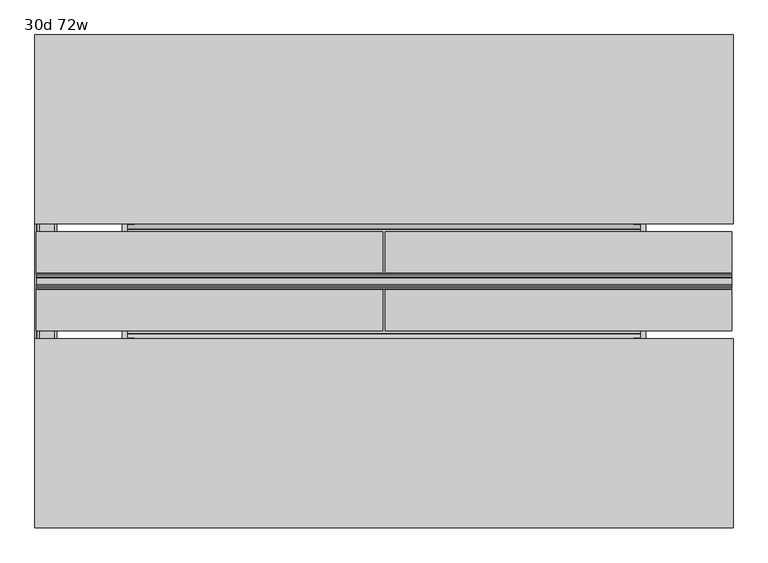
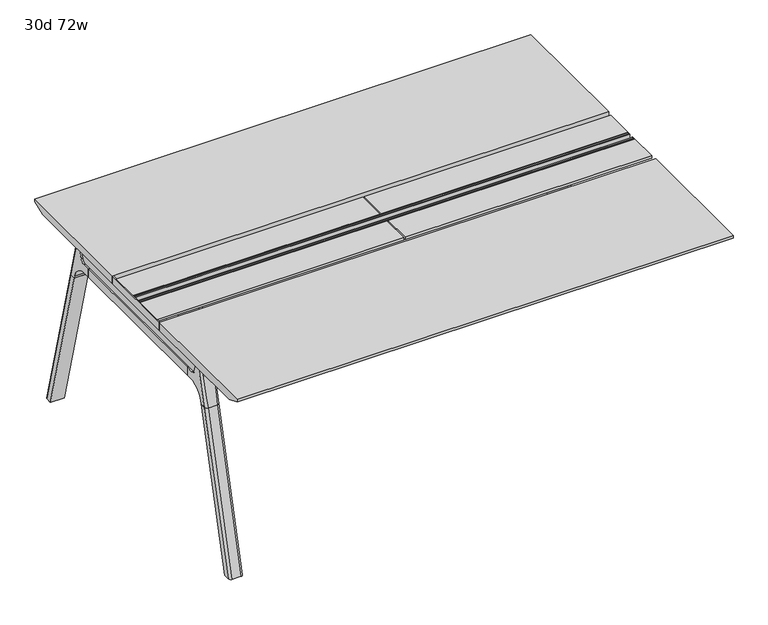
"""IFC4 building model written with IfcOpenShell, lengths in millimetres: furniture geometry, 30d 72w."""

from ifc_helpers import new_model, si_unit, point, frame, frame_2d, origin, place, context, project, spatial, polyline, circle_curve, ellipse_curve, trimmed, segment, composite_curve, outline, extrude, source, transform, mapped, element, save
from ifc_brep_helpers import plane_surface, cylinder_surface, revolved_surface, advanced_brep


def furniture_30d_72w_49df760f(model_context):
    return source(origin(), model_context, "Body", "SolidModel", [
        extrude(outline(polyline([(-348.9784469, 559.4636683), (-364.040663, 627.7843353), (-35.4662901, 627.7843353), (-50.5285062, 559.4636683), (-46.7502281, 557.2647146), (-46.7502281, 549.3667827), (-62.6252238, 521.8704736), (-336.8817293, 521.8704736), (-352.756725, 549.3667827), (-352.756725, 557.2647146), (-348.9784469, 559.4636683)])), frame((889.0, 0.0, 0.0), z_axis=(1.0, 0.0, 0.0), x_axis=(0.0, 1.0, 0.0)), (0.0, 0.0, 1.0), 12.7),
        extrude(outline(polyline([(-348.9784469, 559.4636683), (-364.040663, 627.7843353), (-35.4662901, 627.7843353), (-50.5285062, 559.4636683), (-46.7502281, 557.2647146), (-46.7502281, 549.3667827), (-62.6252238, 521.8704736), (-336.8817293, 521.8704736), (-352.756725, 549.3667827), (-352.756725, 557.2647146), (-348.9784469, 559.4636683)])), frame((-469.9, 0.0, 0.0), z_axis=(1.0, 0.0, 0.0), x_axis=(0.0, 1.0, 0.0)), (0.0, 0.0, 1.0), 12.7),
        extrude(outline(polyline([(-18.0090763, 698.5), (3.7767266, 698.5), (3.7767266, 697.2935087), (-17.4495292, 697.2935087), (-19.0070753, 695.7359626), (-49.1186716, 559.1528512), (-50.5285062, 559.4636683), (-20.404074, 696.1050023), (-18.0090763, 698.5)])), frame((-469.9, 0.0, 0.0), z_axis=(1.0, 0.0, 0.0), x_axis=(0.0, 1.0, 0.0)), (0.0, 0.0, 1.0), 31.8008024),
        extrude(outline(polyline([(-381.4978768, 698.5), (-379.1028791, 696.1050023), (-348.9784469, 559.4636683), (-350.3882815, 559.1528512), (-380.4998778, 695.7359626), (-382.0574239, 697.2935087), (-403.2836797, 697.2935087), (-403.2836797, 698.5), (-381.4978768, 698.5)])), frame((-469.9, 0.0, 0.0), z_axis=(1.0, 0.0, 0.0), x_axis=(0.0, 1.0, 0.0)), (0.0, 0.0, 1.0), 31.8008024),
        extrude(outline(polyline([(-18.0090763, 698.5), (3.7767266, 698.5), (3.7767266, 697.2935087), (-17.4495292, 697.2935087), (-19.0070753, 695.7359626), (-49.1186716, 559.1528512), (-50.5285062, 559.4636683), (-20.404074, 696.1050023), (-18.0090763, 698.5)])), frame((869.8991976, 0.0, 0.0), z_axis=(1.0, 0.0, 0.0), x_axis=(0.0, 1.0, 0.0)), (0.0, 0.0, 1.0), 31.8008024),
        extrude(outline(polyline([(-381.4978768, 698.5), (-379.1028791, 696.1050023), (-348.9784469, 559.4636683), (-350.3882815, 559.1528512), (-380.4998778, 695.7359626), (-382.0574239, 697.2935087), (-403.2836797, 697.2935087), (-403.2836797, 698.5), (-381.4978768, 698.5)])), frame((869.8991976, 0.0, 0.0), z_axis=(1.0, 0.0, 0.0), x_axis=(0.0, 1.0, 0.0)), (0.0, 0.0, 1.0), 31.8008024),
        extrude(outline(polyline([(-353.550475, 557.5934966), (-351.518477, 559.6254947), (-350.957211, 559.0642287), (-352.756725, 557.2647146), (-352.756725, 549.3667827), (-352.5317745, 548.5272622), (-337.4390802, 522.3859395), (-336.0037101, 521.5572272), (-63.503243, 521.5572272), (-62.0678729, 522.3859395), (-46.9751786, 548.5272622), (-46.7502281, 549.3667827), (-46.7502281, 557.2647146), (-48.5497421, 559.0642287), (-47.9884761, 559.6254947), (-45.9564781, 557.5934966), (-45.9564781, 549.2622828), (-46.2355217, 548.2208856), (-61.4868074, 521.8048744), (-63.2905581, 520.7634772), (-336.216395, 520.7634772), (-338.0201457, 521.8048744), (-353.2714314, 548.2208856), (-353.550475, 549.2622828), (-353.550475, 557.5934966)])), frame((-469.8492037, 0.0, 0.0), z_axis=(1.0, 0.0, 0.0), x_axis=(0.0, 1.0, 0.0)), (0.0, 0.0, 1.0), 1371.5492037),
        extrude(outline(polyline([(-218.8034766, 715.9625), (-218.8034766, 741.3625), (-217.2159766, 741.3625), (-217.2159766, 720.725), (-210.8659766, 720.725), (-210.8659766, 741.3625), (-209.2784766, 741.3625), (-209.2784766, 717.55), (-190.2284766, 717.55), (-190.2284766, 741.3625), (-188.6409766, 741.3625), (-188.6409766, 720.725), (-182.2909766, 720.725), (-182.2909766, 741.3625), (-180.7034766, 741.3625), (-180.7034766, 715.9625), (-218.8034766, 715.9625)])), frame((-695.325, 0.0, 0.0), z_axis=(1.0, 0.0, 0.0), x_axis=(0.0, 1.0, 0.0)), (0.0, 0.0, 1.0), 1822.45),
        extrude(outline(composite_curve([segment(polyline([(175.6902734, 711.2), (166.6321726, 677.3947076)]), True, "CONTINUOUS"), segment(trimmed(circle_curve(frame_2d((151.2981001, 681.5034599)), 15.875), [point((166.6321726, 677.3947076))], [point((151.2981001, 665.6284599))], False, "CARTESIAN"), True, "CONTINUOUS"), segment(polyline([(151.2981001, 665.6284599), (-550.8050533, 665.6284599)]), True, "CONTINUOUS"), segment(trimmed(circle_curve(frame_2d((-550.8050533, 681.5034599)), 15.875), [point((-550.8050533, 665.6284599))], [point((-566.1391258, 677.3947076))], False, "CARTESIAN"), True, "CONTINUOUS"), segment(polyline([(-566.1391258, 677.3947076), (-575.1972266, 711.2), (175.6902734, 711.2)]), True, "CONTINUOUS")], self_intersect=False)), frame((-685.8, 0.0, 0.0), z_axis=(1.0, 0.0, 0.0), x_axis=(0.0, 1.0, 0.0)), (0.0, 0.0, 1.0), 38.1),
        extrude(outline(polyline([(-641.35, 115.3652734), (-641.35, -514.8722266), (-692.15, -514.8722266), (-692.15, 115.3652734), (-641.35, 115.3652734)])), frame((0.0, 0.0, 635.6476591), z_axis=(0.0, 0.0, 1.0), x_axis=(1.0, 0.0, 0.0)), (0.0, 0.0, 1.0), 29.9808008),
        advanced_brep(
        [(-641.35, 169.3866022, 711.2), (-641.35, 160.3285014, 677.3947076), (-641.35, 144.9944289, 665.6284599), (-641.35, 115.3652734, 665.6284599), (-641.35, 115.3652734, 635.6476591), (-641.35, 138.2365057, 635.6476591), (-641.35, 202.6396101, 586.2294189), (-641.35, 205.1978223, 576.6820411), (-641.35, 226.3017922, 576.6820411), (-641.35, 190.8531486, 711.2), (-692.15, 205.1978223, 576.6820411), (-692.15, 202.6396101, 586.2294189), (-692.15, 138.2365057, 635.6476591), (-692.15, 115.3652734, 635.6476591), (-692.15, 115.3652734, 665.6284599), (-692.15, 144.9944289, 665.6284599), (-692.15, 160.3285014, 677.3947076), (-692.15, 169.3866022, 711.2), (-692.15, 190.8531486, 711.2), (-692.15, 226.3017922, 576.6820411), (-647.6138162, 200.1079931, 711.2), (-685.8861838, 200.1079931, 711.2), (-682.625, 236.1519716, 576.6820411), (-650.875, 236.1519716, 576.6820411)],
        [
            (0, 1),
            (1, 2, circle_curve(frame((-641.35, 144.9944289, 681.5034599), z_axis=(-1.0, 0.0, 0.0), x_axis=(0.0, 1.0, 0.0)), 15.875)),
            (2, 3),
            (3, 4),
            (4, 5),
            (5, 6, circle_curve(frame((-641.35, 138.2365057, 568.9726591), z_axis=(-1.0, 0.0, 0.0), x_axis=(0.0, 1.0, 0.0)), 66.675)),
            (6, 7),
            (7, 8),
            (8, 9),
            (9, 0),
            (10, 11),
            (11, 12, circle_curve(frame((-692.15, 138.2365057, 568.9726591), z_axis=(1.0, 0.0, 0.0), x_axis=(0.0, 1.0, 0.0)), 66.675)),
            (12, 13),
            (13, 14),
            (14, 15),
            (15, 16, circle_curve(frame((-692.15, 144.9944289, 681.5034599), z_axis=(1.0, 0.0, 0.0), x_axis=(0.0, 1.0, 0.0)), 15.875)),
            (16, 17),
            (17, 18),
            (18, 19),
            (19, 10),
            (17, 0),
            (9, 20, ellipse_curve(frame((-650.875, 190.8531486, 711.2), z_axis=(0.0, 0.0, 1.0), x_axis=(0.0, 1.0, 0.0)), 9.8501793, 9.525)),
            (20, 21),
            (21, 18, ellipse_curve(frame((-682.625, 190.8531486, 711.2), z_axis=(0.0, 0.0, 1.0), x_axis=(0.0, 1.0, 0.0)), 9.8501793, 9.525)),
            (16, 1),
            (15, 2),
            (14, 3),
            (13, 4),
            (12, 5),
            (11, 6),
            (10, 7),
            (19, 22, ellipse_curve(frame((-682.625, 226.3017922, 576.6820411), z_axis=(0.0, 0.0, -1.0), x_axis=(0.0, 1.0, 0.0)), 9.8501793, 9.525)),
            (22, 23),
            (23, 8, ellipse_curve(frame((-650.875, 226.3017922, 576.6820411), z_axis=(0.0, 0.0, -1.0), x_axis=(0.0, 1.0, 0.0)), 9.8501793, 9.525)),
            (20, 23, ellipse_curve(frame((-650.875, -360.2177425, 2802.3641142), z_axis=(0.0, 0.9659258262890684, 0.2588190451025206), x_axis=(0.0, 0.2588190451025206, -0.9659258262890684)), 2304.1956354, 9.525)),
            (22, 21, ellipse_curve(frame((-682.625, -360.2177425, 2802.3641142), z_axis=(0.0, 0.9659258262890684, 0.2588190451025206), x_axis=(0.0, 0.2588190451025206, -0.9659258262890684)), 2304.1956354, 9.525)),
        ],
        [
            plane_surface(frame((-641.35, 200.1079931, 711.2), z_axis=(1.0, 0.0, 0.0), x_axis=(0.0, -1.0, 0.0))),
            plane_surface(frame((-692.15, 200.1079931, 711.2), z_axis=(-1.0, 0.0, 0.0), x_axis=(0.0, 1.0, 0.0))),
            plane_surface(frame((-641.35, 200.1079931, 711.2), z_axis=(0.0, 0.0, 1.0), x_axis=(-1.0, 0.0, 0.0))),
            plane_surface(frame((-641.35, 169.3866022, 711.2), z_axis=(0.0, -0.9659258262890683, 0.2588190451025207), x_axis=(-1.0, 0.0, 0.0))),
            revolved_surface(polyline([(-692.15, 160.8694289, 681.5034599), (-641.35, 160.8694289, 681.5034599)]), (-692.15, 144.9944289, 681.5034599), (-1.0, 0.0, 0.0)),
            plane_surface(frame((-641.35, 144.9944289, 665.6284599), z_axis=(0.0, 0.0, 1.0), x_axis=(-1.0, 0.0, 0.0))),
            plane_surface(frame((-641.35, 115.3652734, 665.6284599), z_axis=(0.0, -1.0, 0.0), x_axis=(-1.0, 0.0, 0.0))),
            plane_surface(frame((-641.35, 115.3652734, 635.6476591), z_axis=(0.0, 0.0, -1.0), x_axis=(-1.0, 0.0, 0.0))),
            revolved_surface(polyline([(-692.15, 204.91150570000002, 568.9726591), (-641.35, 204.91150570000002, 568.9726591)]), (-692.15, 138.2365057, 568.9726591), (-1.0, 0.0, 0.0)),
            plane_surface(frame((-641.35, 202.6396101, 586.2294189), z_axis=(0.0, -0.9659258262890693, -0.25881904510251696), x_axis=(-1.0, 0.0, 0.0))),
            plane_surface(frame((-641.35, 205.1978223, 576.6820411), z_axis=(0.0, 0.0, -1.0), x_axis=(-1.0, 0.0, 0.0))),
            plane_surface(frame((-641.35, 236.1519716, 576.6820411), z_axis=(0.0, 0.9659258262890684, 0.2588190451025206), x_axis=(-1.0, 0.0, 0.0))),
            cylinder_surface(frame((-650.875, 378.9106871, -2.4271979), z_axis=(0.0, 0.25482392474081483, -0.966987470125486), x_axis=(-1.0, 0.0, 0.0)), 9.525),
            cylinder_surface(frame((-682.625, 378.9106871, -2.4271979), z_axis=(0.0, 0.25482392474081483, -0.966987470125486), x_axis=(-1.0, 0.0, 0.0)), 9.525),
        ],
        [
            (0, [[1, 2, 3, 4, 5, 6, 7, 8, 9, 10]]),
            (1, [[11, 12, 13, 14, 15, 16, 17, 18, 19, 20]]),
            (2, [[21, -10, 22, 23, 24, -18]]),
            (3, [[-1, -21, -17, 25]]),
            (4, [[-2, -25, -16, 26]]),
            (5, [[-3, -26, -15, 27]]),
            (6, [[-4, -27, -14, 28]]),
            (7, [[-5, -28, -13, 29]]),
            (8, [[-6, -29, -12, 30]]),
            (9, [[-7, -30, -11, 31]]),
            (10, [[-31, -20, 32, 33, 34, -8]]),
            (11, [[-23, 35, -33, 36]]),
            (12, [[-9, -34, -35, -22]]),
            (13, [[-19, -24, -36, -32]]),
        ],
    ),
        advanced_brep(
        [(-641.35, 205.1978223, 576.6820411), (-641.35, 357.1670935, 0.0), (-641.35, 378.2710634, 0.0), (-641.35, 226.3017922, 576.6820411), (-692.15, 357.1670935, 0.0), (-692.15, 205.1978223, 576.6820411), (-692.15, 226.3017922, 576.6820411), (-692.15, 378.2710634, 0.0), (-650.875, 236.1519716, 576.6820411), (-682.625, 236.1519716, 576.6820411), (-682.625, 388.1212427, 0.0), (-650.875, 388.1212427, 0.0)],
        [
            (0, 1),
            (1, 2),
            (2, 3),
            (3, 0),
            (4, 5),
            (5, 6),
            (6, 7),
            (7, 4),
            (5, 0),
            (3, 8, ellipse_curve(frame((-650.875, 226.3017922, 576.6820411), z_axis=(0.0, 0.0, 1.0), x_axis=(0.0, 1.0, 0.0)), 9.8501793, 9.525)),
            (8, 9),
            (9, 6, ellipse_curve(frame((-682.625, 226.3017922, 576.6820411), z_axis=(0.0, 0.0, 1.0), x_axis=(0.0, 1.0, 0.0)), 9.8501793, 9.525)),
            (4, 1),
            (7, 10, ellipse_curve(frame((-682.625, 378.2710634, 0.0), z_axis=(0.0, 0.0, -1.0), x_axis=(0.0, 1.0, 0.0)), 9.8501793, 9.525)),
            (10, 11),
            (11, 2, ellipse_curve(frame((-650.875, 378.2710634, 0.0), z_axis=(0.0, 0.0, -1.0), x_axis=(0.0, 1.0, 0.0)), 9.8501793, 9.525)),
            (8, 11),
            (10, 9),
        ],
        [
            plane_surface(frame((-641.35, 236.1519716, 576.6820411), z_axis=(1.0, 0.0, 0.0), x_axis=(0.0, -1.0, 0.0))),
            plane_surface(frame((-692.15, 236.1519716, 576.6820411), z_axis=(-1.0, 0.0, 0.0), x_axis=(0.0, 1.0, 0.0))),
            plane_surface(frame((-641.35, 236.1519716, 576.6820411), z_axis=(0.0, 0.0, 1.0), x_axis=(-1.0, 0.0, 0.0))),
            plane_surface(frame((-641.35, 205.1978223, 576.6820411), z_axis=(0.0, -0.9669874701254844, -0.2548239247408208), x_axis=(-1.0, 0.0, 0.0))),
            plane_surface(frame((-641.35, 357.1670935, 0.0), z_axis=(0.0, 0.0, -1.0), x_axis=(-1.0, 0.0, 0.0))),
            plane_surface(frame((-641.35, 388.1212427, 0.0), z_axis=(0.0, 0.9669874701254855, 0.2548239247408166), x_axis=(-1.0, 0.0, 0.0))),
            cylinder_surface(frame((-650.875, 378.9106871, -2.4271979), z_axis=(0.0, 0.25482392474081483, -0.966987470125486), x_axis=(-1.0, 0.0, 0.0)), 9.525),
            cylinder_surface(frame((-682.625, 378.9106871, -2.4271979), z_axis=(0.0, 0.25482392474081483, -0.966987470125486), x_axis=(-1.0, 0.0, 0.0)), 9.525),
        ],
        [
            (0, [[1, 2, 3, 4]]),
            (1, [[5, 6, 7, 8]]),
            (2, [[9, -4, 10, 11, 12, -6]]),
            (3, [[-1, -9, -5, 13]]),
            (4, [[-13, -8, 14, 15, 16, -2]]),
            (5, [[-11, 17, -15, 18]]),
            (6, [[-3, -16, -17, -10]]),
            (7, [[-7, -12, -18, -14]]),
        ],
    ),
        advanced_brep(
        [(-692.15, -568.8935553, 711.2), (-692.15, -559.8354545, 677.3947076), (-692.15, -544.501382, 665.6284599), (-692.15, -514.8722266, 665.6284599), (-692.15, -514.8722266, 635.6476591), (-692.15, -537.7434588, 635.6476591), (-692.15, -602.1465633, 586.2294189), (-692.15, -604.7047754, 576.6820411), (-692.15, -625.8087453, 576.6820411), (-692.15, -590.3601017, 711.2), (-641.35, -604.7047754, 576.6820411), (-641.35, -602.1465633, 586.2294189), (-641.35, -537.7434588, 635.6476591), (-641.35, -514.8722266, 635.6476591), (-641.35, -514.8722266, 665.6284599), (-641.35, -544.501382, 665.6284599), (-641.35, -559.8354545, 677.3947076), (-641.35, -568.8935553, 711.2), (-641.35, -590.3601017, 711.2), (-641.35, -625.8087453, 576.6820411), (-685.8861838, -599.6149462, 711.2), (-647.6138162, -599.6149462, 711.2), (-650.875, -635.6589247, 576.6820411), (-682.625, -635.6589247, 576.6820411)],
        [
            (0, 1),
            (1, 2, circle_curve(frame((-692.15, -544.501382, 681.5034599), z_axis=(1.0, 0.0, 0.0), x_axis=(0.0, -1.0, 0.0)), 15.875)),
            (2, 3),
            (3, 4),
            (4, 5),
            (5, 6, circle_curve(frame((-692.15, -537.7434588, 568.9726591), z_axis=(1.0, 0.0, 0.0), x_axis=(0.0, -1.0, 0.0)), 66.675)),
            (6, 7),
            (7, 8),
            (8, 9),
            (9, 0),
            (10, 11),
            (11, 12, circle_curve(frame((-641.35, -537.7434588, 568.9726591), z_axis=(-1.0, 0.0, 0.0), x_axis=(0.0, -1.0, 0.0)), 66.675)),
            (12, 13),
            (13, 14),
            (14, 15),
            (15, 16, circle_curve(frame((-641.35, -544.501382, 681.5034599), z_axis=(-1.0, 0.0, 0.0), x_axis=(0.0, -1.0, 0.0)), 15.875)),
            (16, 17),
            (17, 18),
            (18, 19),
            (19, 10),
            (17, 0),
            (9, 20, ellipse_curve(frame((-682.625, -590.3601017, 711.2), z_axis=(0.0, 0.0, 1.0), x_axis=(0.0, -1.0, 0.0)), 9.8501793, 9.525)),
            (20, 21),
            (21, 18, ellipse_curve(frame((-650.875, -590.3601017, 711.2), z_axis=(0.0, 0.0, 1.0), x_axis=(0.0, -1.0, 0.0)), 9.8501793, 9.525)),
            (16, 1),
            (15, 2),
            (14, 3),
            (13, 4),
            (12, 5),
            (11, 6),
            (10, 7),
            (19, 22, ellipse_curve(frame((-650.875, -625.8087453, 576.6820411), z_axis=(0.0, 0.0, -1.0), x_axis=(0.0, -1.0, 0.0)), 9.8501793, 9.525)),
            (22, 23),
            (23, 8, ellipse_curve(frame((-682.625, -625.8087453, 576.6820411), z_axis=(0.0, 0.0, -1.0), x_axis=(0.0, -1.0, 0.0)), 9.8501793, 9.525)),
            (20, 23, ellipse_curve(frame((-682.625, -39.2892106, 2802.3641142), z_axis=(0.0, -0.9659258262890684, 0.2588190451025206), x_axis=(0.0, -0.2588190451025206, -0.9659258262890684)), 2304.1956354, 9.525)),
            (22, 21, ellipse_curve(frame((-650.875, -39.2892106, 2802.3641142), z_axis=(0.0, -0.9659258262890684, 0.2588190451025206), x_axis=(0.0, -0.2588190451025206, -0.9659258262890684)), 2304.1956354, 9.525)),
        ],
        [
            plane_surface(frame((-692.15, -599.6149462, 711.2), z_axis=(-1.0, 0.0, 0.0), x_axis=(0.0, 1.0, 0.0))),
            plane_surface(frame((-641.35, -599.6149462, 711.2), z_axis=(1.0, 0.0, 0.0), x_axis=(0.0, -1.0, 0.0))),
            plane_surface(frame((-692.15, -599.6149462, 711.2), z_axis=(0.0, 0.0, 1.0), x_axis=(1.0, 0.0, 0.0))),
            plane_surface(frame((-692.15, -568.8935553, 711.2), z_axis=(0.0, 0.9659258262890683, 0.2588190451025207), x_axis=(1.0, 0.0, 0.0))),
            revolved_surface(polyline([(-641.35, -560.376382, 681.5034599), (-692.15, -560.376382, 681.5034599)]), (-641.35, -544.501382, 681.5034599), (1.0, 0.0, 0.0)),
            plane_surface(frame((-692.15, -544.501382, 665.6284599), z_axis=(0.0, 0.0, 1.0), x_axis=(1.0, 0.0, 0.0))),
            plane_surface(frame((-692.15, -514.8722266, 665.6284599), z_axis=(0.0, 1.0, 0.0), x_axis=(1.0, 0.0, 0.0))),
            plane_surface(frame((-692.15, -514.8722266, 635.6476591), z_axis=(0.0, 0.0, -1.0), x_axis=(1.0, 0.0, 0.0))),
            revolved_surface(polyline([(-641.35, -604.4184587999999, 568.9726591), (-692.15, -604.4184587999999, 568.9726591)]), (-641.35, -537.7434588, 568.9726591), (1.0, 0.0, 0.0)),
            plane_surface(frame((-692.15, -602.1465633, 586.2294189), z_axis=(0.0, 0.9659258262890693, -0.25881904510251696), x_axis=(1.0, 0.0, 0.0))),
            plane_surface(frame((-692.15, -604.7047754, 576.6820411), z_axis=(0.0, 0.0, -1.0), x_axis=(1.0, 0.0, 0.0))),
            plane_surface(frame((-692.15, -635.6589247, 576.6820411), z_axis=(0.0, -0.9659258262890684, 0.2588190451025206), x_axis=(1.0, 0.0, 0.0))),
            cylinder_surface(frame((-682.625, -778.4176402, -2.4271979), z_axis=(0.0, -0.25482392474081483, -0.966987470125486), x_axis=(1.0, 0.0, 0.0)), 9.525),
            cylinder_surface(frame((-650.875, -778.4176402, -2.4271979), z_axis=(0.0, -0.25482392474081483, -0.966987470125486), x_axis=(1.0, 0.0, 0.0)), 9.525),
        ],
        [
            (0, [[1, 2, 3, 4, 5, 6, 7, 8, 9, 10]]),
            (1, [[11, 12, 13, 14, 15, 16, 17, 18, 19, 20]]),
            (2, [[21, -10, 22, 23, 24, -18]]),
            (3, [[-1, -21, -17, 25]]),
            (4, [[-2, -25, -16, 26]]),
            (5, [[-3, -26, -15, 27]]),
            (6, [[-4, -27, -14, 28]]),
            (7, [[-5, -28, -13, 29]]),
            (8, [[-6, -29, -12, 30]]),
            (9, [[-7, -30, -11, 31]]),
            (10, [[-31, -20, 32, 33, 34, -8]]),
            (11, [[-23, 35, -33, 36]]),
            (12, [[-9, -34, -35, -22]]),
            (13, [[-19, -24, -36, -32]]),
        ],
    ),
        advanced_brep(
        [(-692.15, -604.7047754, 576.6820411), (-692.15, -756.6740466, 0.0), (-692.15, -777.7780165, 0.0), (-692.15, -625.8087453, 576.6820411), (-641.35, -756.6740466, 0.0), (-641.35, -604.7047754, 576.6820411), (-641.35, -625.8087453, 576.6820411), (-641.35, -777.7780165, 0.0), (-682.625, -635.6589247, 576.6820411), (-650.875, -635.6589247, 576.6820411), (-650.875, -787.6281958, 0.0), (-682.625, -787.6281958, 0.0)],
        [
            (0, 1),
            (1, 2),
            (2, 3),
            (3, 0),
            (4, 5),
            (5, 6),
            (6, 7),
            (7, 4),
            (5, 0),
            (3, 8, ellipse_curve(frame((-682.625, -625.8087453, 576.6820411), z_axis=(0.0, 0.0, 1.0), x_axis=(0.0, -1.0, 0.0)), 9.8501793, 9.525)),
            (8, 9),
            (9, 6, ellipse_curve(frame((-650.875, -625.8087453, 576.6820411), z_axis=(0.0, 0.0, 1.0), x_axis=(0.0, -1.0, 0.0)), 9.8501793, 9.525)),
            (4, 1),
            (7, 10, ellipse_curve(frame((-650.875, -777.7780165, 0.0), z_axis=(0.0, 0.0, -1.0), x_axis=(0.0, -1.0, 0.0)), 9.8501793, 9.525)),
            (10, 11),
            (11, 2, ellipse_curve(frame((-682.625, -777.7780165, 0.0), z_axis=(0.0, 0.0, -1.0), x_axis=(0.0, -1.0, 0.0)), 9.8501793, 9.525)),
            (8, 11),
            (10, 9),
        ],
        [
            plane_surface(frame((-692.15, -635.6589247, 576.6820411), z_axis=(-1.0, 0.0, 0.0), x_axis=(0.0, 1.0, 0.0))),
            plane_surface(frame((-641.35, -635.6589247, 576.6820411), z_axis=(1.0, 0.0, 0.0), x_axis=(0.0, -1.0, 0.0))),
            plane_surface(frame((-692.15, -635.6589247, 576.6820411), z_axis=(0.0, 0.0, 1.0), x_axis=(1.0, 0.0, 0.0))),
            plane_surface(frame((-692.15, -604.7047754, 576.6820411), z_axis=(0.0, 0.9669874701254844, -0.2548239247408208), x_axis=(1.0, 0.0, 0.0))),
            plane_surface(frame((-692.15, -756.6740466, 0.0), z_axis=(0.0, 0.0, -1.0), x_axis=(1.0, 0.0, 0.0))),
            plane_surface(frame((-692.15, -787.6281958, 0.0), z_axis=(0.0, -0.9669874701254855, 0.2548239247408166), x_axis=(1.0, 0.0, 0.0))),
            cylinder_surface(frame((-682.625, -778.4176402, -2.4271979), z_axis=(0.0, -0.25482392474081483, -0.966987470125486), x_axis=(1.0, 0.0, 0.0)), 9.525),
            cylinder_surface(frame((-650.875, -778.4176402, -2.4271979), z_axis=(0.0, -0.25482392474081483, -0.966987470125486), x_axis=(1.0, 0.0, 0.0)), 9.525),
        ],
        [
            (0, [[1, 2, 3, 4]]),
            (1, [[5, 6, 7, 8]]),
            (2, [[9, -4, 10, 11, 12, -6]]),
            (3, [[-1, -9, -5, 13]]),
            (4, [[-13, -8, 14, 15, 16, -2]]),
            (5, [[-11, 17, -15, 18]]),
            (6, [[-3, -16, -17, -10]]),
            (7, [[-7, -12, -18, -14]]),
        ],
    ),
        extrude(outline(polyline([(-49.7347266, 741.3625), (445.5652734, 741.3625), (445.5652734, 731.8375), (394.7652734, 711.2), (-49.7347266, 711.2), (-49.7347266, 741.3625)])), frame((-698.5, 0.0, 0.0), z_axis=(1.0, 0.0, 0.0), x_axis=(0.0, 1.0, 0.0)), (0.0, 0.0, 1.0), 1828.8),
        extrude(outline(polyline([(-845.0722266, 741.3625), (-349.7722266, 741.3625), (-349.7722266, 711.2), (-794.2722266, 711.2), (-845.0722266, 731.8375), (-845.0722266, 741.3625)])), frame((-698.5, 0.0, 0.0), z_axis=(1.0, 0.0, 0.0), x_axis=(0.0, 1.0, 0.0)), (0.0, 0.0, 1.0), 1828.8),
        extrude(outline(polyline([(212.725, -69.5784766), (212.725, -177.5284766), (-695.325, -177.5284766), (-695.325, -69.5784766), (212.725, -69.5784766)])), frame((0.0, 0.0, 731.8375), z_axis=(0.0, 0.0, 1.0), x_axis=(1.0, 0.0, 0.0)), (0.0, 0.0, 1.0), 9.525),
        extrude(outline(polyline([(212.725, -221.9784766), (212.725, -329.9284766), (-695.325, -329.9284766), (-695.325, -221.9784766), (212.725, -221.9784766)])), frame((0.0, 0.0, 731.8375), z_axis=(0.0, 0.0, 1.0), x_axis=(1.0, 0.0, 0.0)), (0.0, 0.0, 1.0), 9.525),
        extrude(outline(polyline([(1127.125, -69.5784766), (1127.125, -177.5284766), (219.075, -177.5284766), (219.075, -69.5784766), (1127.125, -69.5784766)])), frame((0.0, 0.0, 731.8375), z_axis=(0.0, 0.0, 1.0), x_axis=(1.0, 0.0, 0.0)), (0.0, 0.0, 1.0), 9.525),
        extrude(outline(polyline([(1127.125, -221.9784766), (1127.125, -329.9284766), (219.075, -329.9284766), (219.075, -221.9784766), (1127.125, -221.9784766)])), frame((0.0, 0.0, 731.8375), z_axis=(0.0, 0.0, 1.0), x_axis=(1.0, 0.0, 0.0)), (0.0, 0.0, 1.0), 9.525),
        extrude(outline(polyline([(1073.15, 9.7965234), (1073.15, -21.9534766), (-641.35, -21.9534766), (-641.35, 9.7965234), (1073.15, 9.7965234)])), frame((0.0, 0.0, 646.1125), z_axis=(0.0, 0.0, 1.0), x_axis=(1.0, 0.0, 0.0)), (0.0, 0.0, 1.0), 50.8),
        extrude(outline(polyline([(1073.15, -377.5534766), (1073.15, -409.3034766), (-641.35, -409.3034766), (-641.35, -377.5534766), (1073.15, -377.5534766)])), frame((0.0, 0.0, 646.1125), z_axis=(0.0, 0.0, 1.0), x_axis=(1.0, 0.0, 0.0)), (0.0, 0.0, 1.0), 50.8),
        extrude(outline(polyline([(-695.325, -49.7347266), (-695.325, -349.7722266), (-698.5, -349.7722266), (-698.5, -49.7347266), (-695.325, -49.7347266)])), frame((0.0, 0.0, 711.2), z_axis=(0.0, 0.0, 1.0), x_axis=(1.0, 0.0, 0.0)), (0.0, 0.0, 1.0), 30.1625),
    ])


if __name__ == "__main__":
    model = new_model("IFC4")
    model_context = context("Model", 3, world=origin())
    ifc_project = project(units=[si_unit("LENGTHUNIT", "METRE", prefix="MILLI")], contexts=[model_context])
    site = spatial("IfcSite", under=ifc_project)
    building = spatial("IfcBuilding", under=site)
    placement = place(None, origin())
    furniture_30d_72w_shape = furniture_30d_72w_49df760f(model_context)
    element("IfcFurniture", 1, ObjectType="30d 72w", at=placement, inside=building, context=model_context, shape_type="MappedRepresentation", body=[
        mapped(furniture_30d_72w_shape, transform((0.0, 0.0, 0.0), x_axis=(1.0, 0.0, 0.0), y_axis=(0.0, 1.0, 0.0), z_axis=(0.0, 0.0, 1.0))),
    ])
    save(model, "model.ifc")
